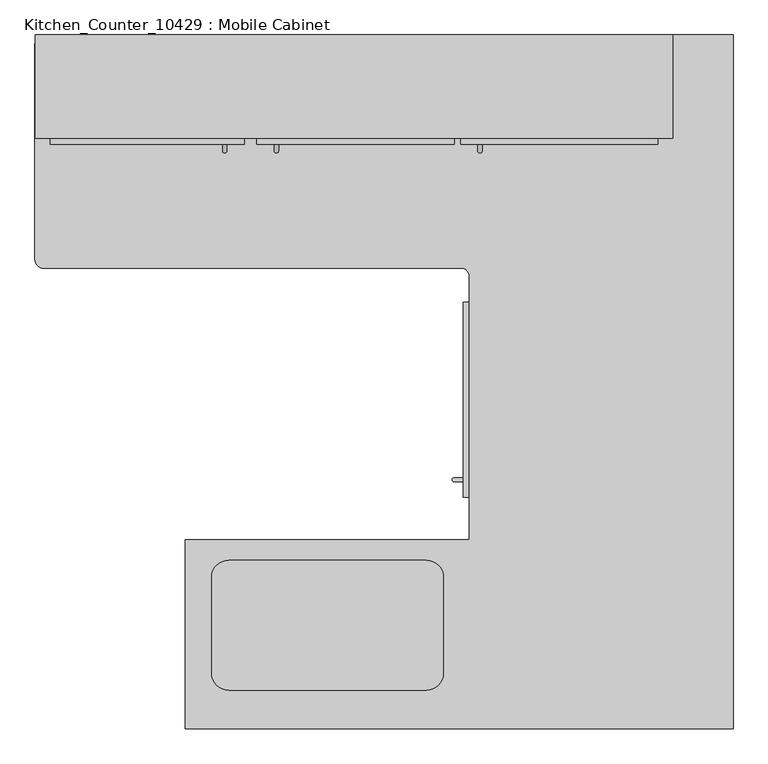
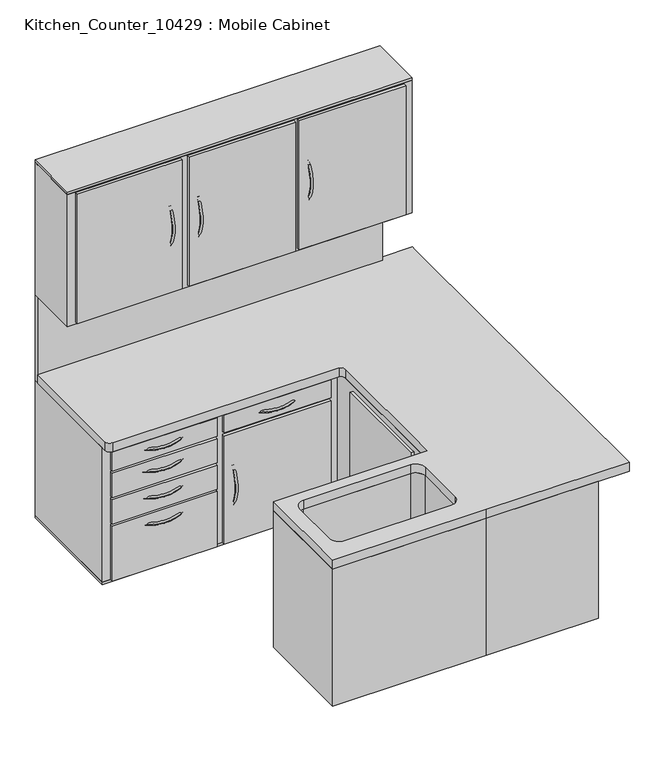
"""IFC4 building model written with IfcOpenShell, lengths in millimetres: furniture geometry, Kitchen_Counter_10429 : Mobile Cabinet."""

from ifc_helpers import new_model, si_unit, point, frame, frame_2d, origin, place, context, project, spatial, polyline, circle_curve, ellipse_curve, trimmed, segment, composite_curve, outline, extrude, faceted_brep, source, transform, mapped, element, save
from ifc_brep_helpers import plane_surface, revolved_surface, advanced_brep


def kitchen_counter_10429_mobile_cabinet_49b05717(model_context):
    return source(origin(), model_context, "Body", "SolidModel", [
        advanced_brep(
        [(2391.0977049, -711.2, 889.0), (1781.4977049, -711.2, 889.0), (1781.4977049, -1563.6875, 889.0), (943.2977049, -1563.6875, 889.0), (943.2977049, -2121.4715, 889.0), (1781.4977049, -2121.4715, 889.0), (2391.0977049, -2121.4715, 889.0), (1072.0877049, -1624.5715, 889.0), (1654.2877049, -1624.5715, 889.0), (1705.0877049, -1675.3715, 889.0), (1705.0877049, -1956.3715, 889.0), (1654.2877049, -2007.1715, 889.0), (1072.0877049, -2007.1715, 889.0), (1021.2877049, -1956.3715, 889.0), (1021.2877049, -1675.3715, 889.0), (2391.0977049, -711.2, 100.409375), (2391.0977049, -2121.4715, 100.409375), (1781.4977049, -2121.4715, 100.409375), (943.2977049, -2121.4715, 100.409375), (943.2977049, -1563.6875, 100.409375), (1781.4977049, -1563.6875, 100.409375), (1781.4977049, -711.2, 100.409375), (1654.2877049, -1624.5715, 609.6), (1072.0877049, -1624.5715, 609.6), (1021.2877049, -1675.3715, 609.6), (1021.2877049, -1956.3715, 609.6), (1072.0877049, -2007.1715, 609.6), (1654.2877049, -2007.1715, 609.6), (1705.0877049, -1956.3715, 609.6), (1705.0877049, -1675.3715, 609.6)],
        [
            (0, 1),
            (1, 2),
            (2, 3),
            (3, 4),
            (4, 5),
            (5, 6),
            (6, 0),
            (7, 8),
            (8, 9, circle_curve(frame((1654.2877049, -1675.3715, 889.0), z_axis=(0.0, 0.0, -1.0), x_axis=(1.0, 0.0, 0.0)), 50.8)),
            (9, 10),
            (10, 11, circle_curve(frame((1654.2877049, -1956.3715, 889.0), z_axis=(0.0, 0.0, -1.0), x_axis=(1.0, 0.0, 0.0)), 50.8)),
            (11, 12),
            (12, 13, circle_curve(frame((1072.0877049, -1956.3715, 889.0), z_axis=(0.0, 0.0, -1.0), x_axis=(1.0, 0.0, 0.0)), 50.8)),
            (13, 14),
            (14, 7, circle_curve(frame((1072.0877049, -1675.3715, 889.0), z_axis=(0.0, 0.0, -1.0), x_axis=(1.0, 0.0, 0.0)), 50.8)),
            (15, 16),
            (16, 17),
            (17, 18),
            (18, 19),
            (19, 20),
            (20, 21),
            (21, 15),
            (0, 15),
            (21, 1),
            (20, 2),
            (5, 17),
            (16, 6),
            (19, 3),
            (18, 4),
            (22, 23),
            (23, 24, circle_curve(frame((1072.0877049, -1675.3715, 609.6), z_axis=(0.0, 0.0, 1.0), x_axis=(1.0, 0.0, 0.0)), 50.8)),
            (24, 25),
            (25, 26, circle_curve(frame((1072.0877049, -1956.3715, 609.6), z_axis=(0.0, 0.0, 1.0), x_axis=(1.0, 0.0, 0.0)), 50.8)),
            (26, 27),
            (27, 28, circle_curve(frame((1654.2877049, -1956.3715, 609.6), z_axis=(0.0, 0.0, 1.0), x_axis=(1.0, 0.0, 0.0)), 50.8)),
            (28, 29),
            (29, 22, circle_curve(frame((1654.2877049, -1675.3715, 609.6), z_axis=(0.0, 0.0, 1.0), x_axis=(1.0, 0.0, 0.0)), 50.8)),
            (22, 8),
            (7, 23),
            (14, 24),
            (13, 25),
            (12, 26),
            (11, 27),
            (10, 28),
            (9, 29),
        ],
        [
            plane_surface(frame((2111.6977049, -711.2, 889.0), z_axis=(0.0, 0.0, 1.0), x_axis=(-1.0, 0.0, 0.0))),
            plane_surface(frame((2111.6977049, -711.2, 100.409375), z_axis=(0.0, 0.0, -1.0), x_axis=(1.0, 0.0, 0.0))),
            plane_surface(frame((2391.0977049, -711.2, 889.0), z_axis=(0.0, 1.0, 0.0), x_axis=(0.0, 0.0, -1.0))),
            plane_surface(frame((1781.4977049, -711.2, 889.0), z_axis=(-1.0, 0.0, 0.0), x_axis=(0.0, 0.0, -1.0))),
            plane_surface(frame((1781.4977049, -2121.4715, 889.0), z_axis=(0.0, -1.0, 0.0), x_axis=(0.0, 0.0, -1.0))),
            plane_surface(frame((2391.0977049, -2121.4715, 889.0), z_axis=(1.0, 0.0, 0.0), x_axis=(0.0, 0.0, -1.0))),
            plane_surface(frame((1781.4977049, -1563.6875, 889.0), z_axis=(0.0, 1.0, 0.0), x_axis=(0.0, 0.0, -1.0))),
            plane_surface(frame((943.2977049, -1563.6875, 889.0), z_axis=(-1.0, 0.0, 0.0), x_axis=(0.0, 0.0, -1.0))),
            plane_surface(frame((943.2977049, -2121.4715, 889.0), z_axis=(0.0, -1.0, 0.0), x_axis=(0.0, 0.0, -1.0))),
            plane_surface(frame((1072.0877049, -1624.5715, 609.6), z_axis=(0.0, 0.0, 1.0), x_axis=(1.0, 0.0, 0.0))),
            plane_surface(frame((1654.2877049, -1624.5715, 1066.8), z_axis=(0.0, -1.0, 0.0), x_axis=(0.0, 0.0, -1.0))),
            revolved_surface(polyline([(1122.8877049, -1675.3715, 889.0), (1122.8877049, -1675.3715, 609.6)]), (1072.0877049, -1675.3715, 609.6), (0.0, 0.0, 1.0)),
            plane_surface(frame((1021.2877049, -1675.3715, 1066.8), z_axis=(1.0, 0.0, 0.0), x_axis=(0.0, 0.0, -1.0))),
            revolved_surface(polyline([(1122.8877049, -1956.3715, 889.0), (1122.8877049, -1956.3715, 609.6)]), (1072.0877049, -1956.3715, 609.6), (0.0, 0.0, 1.0)),
            plane_surface(frame((1072.0877049, -2007.1715, 1066.8), z_axis=(0.0, 1.0, 0.0), x_axis=(0.0, 0.0, -1.0))),
            revolved_surface(polyline([(1705.0877049, -1956.3715, 889.0), (1705.0877049, -1956.3715, 609.6)]), (1654.2877049, -1956.3715, 609.6), (0.0, 0.0, 1.0)),
            plane_surface(frame((1705.0877049, -1956.3715, 1066.8), z_axis=(-1.0, 0.0, 0.0), x_axis=(0.0, 0.0, -1.0))),
            revolved_surface(polyline([(1705.0877049, -1675.3715, 889.0), (1705.0877049, -1675.3715, 609.6)]), (1654.2877049, -1675.3715, 609.6), (0.0, 0.0, 1.0)),
        ],
        [
            (0, [[1, 2, 3, 4, 5, 6, 7], [8, 9, 10, 11, 12, 13, 14, 15]]),
            (1, [[16, 17, 18, 19, 20, 21, 22]]),
            (2, [[-1, 23, -22, 24]]),
            (3, [[-2, -24, -21, 25]]),
            (4, [[-6, 26, -17, 27]]),
            (5, [[-7, -27, -16, -23]]),
            (6, [[-3, -25, -20, 28]]),
            (7, [[-4, -28, -19, 29]]),
            (8, [[-5, -29, -18, -26]]),
            (9, [[30, 31, 32, 33, 34, 35, 36, 37]]),
            (10, [[-30, 38, -8, 39]]),
            (11, [[-31, -39, -15, 40]]),
            (12, [[-32, -40, -14, 41]]),
            (13, [[-33, -41, -13, 42]]),
            (14, [[-34, -42, -12, 43]]),
            (15, [[-35, -43, -11, 44]]),
            (16, [[-36, -44, -10, 45]]),
            (17, [[-37, -45, -9, -38]]),
        ],
    ),
        advanced_brep(
        [(1773.7037199, -1393.2862247, 609.1921232), (1773.7037199, -1380.5862247, 609.1921232), (1773.7037199, -1393.2862247, 383.3637278), (1773.7037199, -1380.5862247, 383.3637278)],
        [
            (0, 1, circle_curve(frame((1773.7037199, -1386.9362247, 609.1921232), z_axis=(0.596522274931502, 0.0, 0.802596520993298), x_axis=(0.0, 1.0, 0.0)), 6.35)),
            (1, 0, circle_curve(frame((1773.7037199, -1386.9362247, 609.1921232), z_axis=(0.596522274931502, 0.0, 0.802596520993298), x_axis=(0.0, 1.0, 0.0)), 6.35)),
            (2, 3, circle_curve(frame((1773.7037199, -1386.9362247, 383.3637278), z_axis=(0.5965222749314973, 0.0, -0.8025965209933016), x_axis=(0.0, 1.0, 0.0)), 6.35)),
            (3, 2, circle_curve(frame((1773.7037199, -1386.9362247, 383.3637278), z_axis=(0.5965222749314973, 0.0, -0.8025965209933016), x_axis=(0.0, 1.0, 0.0)), 6.35)),
            (3, 1, circle_curve(frame((1925.6251921, -1380.5862247, 496.2779255), z_axis=(0.0, 1.0, 0.0), x_axis=(-0.802596520993294, 0.0, 0.5965222749315074)), 189.2874791)),
            (0, 2, circle_curve(frame((1925.6251921, -1393.2862247, 496.2779255), z_axis=(0.0, -1.0, 0.0), x_axis=(-0.802596520993294, 0.0, 0.5965222749315074)), 189.2874791)),
        ],
        [
            plane_surface(frame((1773.7037199, -2193.3862247, 609.1921232), z_axis=(0.5965222749315074, 0.0, 0.802596520993294), x_axis=(0.0, 1.0, 0.0))),
            plane_surface(frame((1773.7037199, -2193.3862247, 383.3637278), z_axis=(0.5965222749314919, 0.0, -0.8025965209933056), x_axis=(0.0, 1.0, 0.0))),
            revolved_surface(trimmed(ellipse_curve(frame((1773.7037199, -1386.9362247, 609.1921232), z_axis=(0.596522274931502, 0.0, 0.802596520993298), x_axis=(0.0, 1.0, 0.0)), 6.35, 6.35), [point((1773.7037199, -1393.2862247, 609.1921232))], [point((1773.7037199, -1380.5862247, 609.1921232))], True, "CARTESIAN"), (1925.6251921, -2193.3862247, 496.2779255), (0.0, -1.0, 0.0)),
            revolved_surface(trimmed(ellipse_curve(frame((1773.7037199, -1386.9362247, 609.1921232), z_axis=(0.596522274931502, 0.0, 0.802596520993298), x_axis=(0.0, 1.0, 0.0)), 6.35, 6.35), [point((1773.7037199, -1380.5862247, 609.1921232))], [point((1773.7037199, -1393.2862247, 609.1921232))], True, "CARTESIAN"), (1925.6251921, -2193.3862247, 496.2779255), (0.0, -1.0, 0.0)),
        ],
        [
            (0, [[1, 2]]),
            (1, [[3, 4]]),
            (2, [[5, -1, 6, -4]]),
            (3, [[-6, -2, -5, -3]]),
        ],
    ),
        extrude(outline(polyline([(1763.0430174, -1438.275), (1763.0430174, -863.6), (1781.4977049, -863.6), (1781.4977049, -1438.275), (1763.0430174, -1438.275)])), frame((0.0, 0.0, 114.3), z_axis=(0.0, 0.0, 1.0), x_axis=(1.0, 0.0, 0.0)), (0.0, 0.0, 1.0), 742.95),
        advanced_brep(
        [(1818.9627049, -381.0, 1885.7548227), (1806.2627049, -381.0, 1885.7548227), (1818.9627049, -381.0, 1659.9264273), (1806.2627049, -381.0, 1659.9264273)],
        [
            (0, 1, circle_curve(frame((1812.6127049, -381.0, 1885.7548227), z_axis=(0.0, 0.5965222749315012, 0.8025965209932986), x_axis=(-1.0, 0.0, 0.0)), 6.35)),
            (1, 0, circle_curve(frame((1812.6127049, -381.0, 1885.7548227), z_axis=(0.0, 0.5965222749315012, 0.8025965209932986), x_axis=(-1.0, 0.0, 0.0)), 6.35)),
            (2, 3, circle_curve(frame((1812.6127049, -381.0, 1659.9264273), z_axis=(0.0, 0.5965222749314963, -0.8025965209933023), x_axis=(-1.0, 0.0, 0.0)), 6.35)),
            (3, 2, circle_curve(frame((1812.6127049, -381.0, 1659.9264273), z_axis=(0.0, 0.5965222749314963, -0.8025965209933023), x_axis=(-1.0, 0.0, 0.0)), 6.35)),
            (3, 1, circle_curve(frame((1806.2627049, -229.0785278, 1772.840625), z_axis=(-1.0, 0.0, 0.0), x_axis=(0.0, -0.8025965209932986, 0.5965222749315012)), 189.2874791)),
            (0, 2, circle_curve(frame((1818.9627049, -229.0785278, 1772.840625), z_axis=(1.0, 0.0, 0.0), x_axis=(0.0, -0.8025965209932986, 0.5965222749315012)), 189.2874791)),
        ],
        [
            plane_surface(frame((2619.0627049, -381.0, 1885.7548227), z_axis=(0.0, 0.5965222749315012, 0.8025965209932986), x_axis=(-1.0, 0.0, 0.0))),
            plane_surface(frame((2619.0627049, -381.0, 1659.9264273), z_axis=(0.0, 0.5965222749314962, -0.8025965209933024), x_axis=(-1.0, 0.0, 0.0))),
            revolved_surface(trimmed(ellipse_curve(frame((1812.6127049, -381.0, 1885.7548227), z_axis=(0.0, 0.5965222749315012, 0.8025965209932986), x_axis=(-1.0, 0.0, 0.0)), 6.35, 6.35), [point((1818.9627049, -381.0, 1885.7548227))], [point((1806.2627049, -381.0, 1885.7548227))], True, "CARTESIAN"), (2619.0627049, -229.0785278, 1772.840625), (1.0, 0.0, 0.0)),
            revolved_surface(trimmed(ellipse_curve(frame((1812.6127049, -381.0, 1885.7548227), z_axis=(0.0, 0.5965222749315012, 0.8025965209932986), x_axis=(-1.0, 0.0, 0.0)), 6.35, 6.35), [point((1806.2627049, -381.0, 1885.7548227))], [point((1818.9627049, -381.0, 1885.7548227))], True, "CARTESIAN"), (2619.0627049, -229.0785278, 1772.840625), (1.0, 0.0, 0.0)),
        ],
        [
            (0, [[1, 2]]),
            (1, [[3, 4]]),
            (2, [[5, -1, 6, -4]]),
            (3, [[-6, -2, -5, -3]]),
        ],
    ),
        advanced_brep(
        [(1218.8877049, -381.0, 1885.7548227), (1206.1877049, -381.0, 1885.7548227), (1218.8877049, -381.0, 1659.9264273), (1206.1877049, -381.0, 1659.9264273)],
        [
            (0, 1, circle_curve(frame((1212.5377049, -381.0, 1885.7548227), z_axis=(0.0, 0.5965222749315012, 0.8025965209932986), x_axis=(-1.0, 0.0, 0.0)), 6.35)),
            (1, 0, circle_curve(frame((1212.5377049, -381.0, 1885.7548227), z_axis=(0.0, 0.5965222749315012, 0.8025965209932986), x_axis=(-1.0, 0.0, 0.0)), 6.35)),
            (2, 3, circle_curve(frame((1212.5377049, -381.0, 1659.9264273), z_axis=(0.0, 0.5965222749314963, -0.8025965209933023), x_axis=(-1.0, 0.0, 0.0)), 6.35)),
            (3, 2, circle_curve(frame((1212.5377049, -381.0, 1659.9264273), z_axis=(0.0, 0.5965222749314963, -0.8025965209933023), x_axis=(-1.0, 0.0, 0.0)), 6.35)),
            (3, 1, circle_curve(frame((1206.1877049, -229.0785278, 1772.840625), z_axis=(-1.0, 0.0, 0.0), x_axis=(0.0, -0.8025965209932986, 0.5965222749315012)), 189.2874791)),
            (0, 2, circle_curve(frame((1218.8877049, -229.0785278, 1772.840625), z_axis=(1.0, 0.0, 0.0), x_axis=(0.0, -0.8025965209932986, 0.5965222749315012)), 189.2874791)),
        ],
        [
            plane_surface(frame((2018.9877049, -381.0, 1885.7548227), z_axis=(0.0, 0.5965222749315012, 0.8025965209932986), x_axis=(-1.0, 0.0, 0.0))),
            plane_surface(frame((2018.9877049, -381.0, 1659.9264273), z_axis=(0.0, 0.5965222749314962, -0.8025965209933024), x_axis=(-1.0, 0.0, 0.0))),
            revolved_surface(trimmed(ellipse_curve(frame((1212.5377049, -381.0, 1885.7548227), z_axis=(0.0, 0.5965222749315012, 0.8025965209932986), x_axis=(-1.0, 0.0, 0.0)), 6.35, 6.35), [point((1218.8877049, -381.0, 1885.7548227))], [point((1206.1877049, -381.0, 1885.7548227))], True, "CARTESIAN"), (2018.9877049, -229.0785278, 1772.840625), (1.0, 0.0, 0.0)),
            revolved_surface(trimmed(ellipse_curve(frame((1212.5377049, -381.0, 1885.7548227), z_axis=(0.0, 0.5965222749315012, 0.8025965209932986), x_axis=(-1.0, 0.0, 0.0)), 6.35, 6.35), [point((1206.1877049, -381.0, 1885.7548227))], [point((1218.8877049, -381.0, 1885.7548227))], True, "CARTESIAN"), (2018.9877049, -229.0785278, 1772.840625), (1.0, 0.0, 0.0)),
        ],
        [
            (0, [[1, 2]]),
            (1, [[3, 4]]),
            (2, [[5, -1, 6, -4]]),
            (3, [[-6, -2, -5, -3]]),
        ],
    ),
        advanced_brep(
        [(1053.7877049, -381.0, 1885.7548227), (1066.4877049, -381.0, 1885.7548227), (1053.7877049, -381.0, 1659.9264273), (1066.4877049, -381.0, 1659.9264273)],
        [
            (0, 1, circle_curve(frame((1060.1377049, -381.0, 1885.7548227), z_axis=(0.0, 0.5965222749315012, 0.8025965209932986), x_axis=(1.0, 0.0, 0.0)), 6.35)),
            (1, 0, circle_curve(frame((1060.1377049, -381.0, 1885.7548227), z_axis=(0.0, 0.5965222749315012, 0.8025965209932986), x_axis=(1.0, 0.0, 0.0)), 6.35)),
            (2, 3, circle_curve(frame((1060.1377049, -381.0, 1659.9264273), z_axis=(0.0, 0.5965222749314963, -0.8025965209933023), x_axis=(1.0, 0.0, 0.0)), 6.35)),
            (3, 2, circle_curve(frame((1060.1377049, -381.0, 1659.9264273), z_axis=(0.0, 0.5965222749314963, -0.8025965209933023), x_axis=(1.0, 0.0, 0.0)), 6.35)),
            (3, 1, circle_curve(frame((1066.4877049, -229.0785278, 1772.840625), z_axis=(-1.0, 0.0, 0.0), x_axis=(0.0, -0.8025965209932986, 0.5965222749315012)), 189.2874791)),
            (0, 2, circle_curve(frame((1053.7877049, -229.0785278, 1772.840625), z_axis=(1.0, 0.0, 0.0), x_axis=(0.0, -0.8025965209932986, 0.5965222749315012)), 189.2874791)),
        ],
        [
            plane_surface(frame((253.6877049, -381.0, 1885.7548227), z_axis=(0.0, 0.5965222749315012, 0.8025965209932986), x_axis=(1.0, 0.0, 0.0))),
            plane_surface(frame((253.6877049, -381.0, 1659.9264273), z_axis=(0.0, 0.5965222749314962, -0.8025965209933024), x_axis=(1.0, 0.0, 0.0))),
            revolved_surface(trimmed(ellipse_curve(frame((1060.1377049, -381.0, 1885.7548227), z_axis=(0.0, 0.5965222749315012, 0.8025965209932986), x_axis=(1.0, 0.0, 0.0)), 6.35, 6.35), [point((1053.7877049, -381.0, 1885.7548227))], [point((1066.4877049, -381.0, 1885.7548227))], True, "CARTESIAN"), (253.6877049, -229.0785278, 1772.840625), (1.0, 0.0, 0.0)),
            revolved_surface(trimmed(ellipse_curve(frame((1060.1377049, -381.0, 1885.7548227), z_axis=(0.0, 0.5965222749315012, 0.8025965209932986), x_axis=(1.0, 0.0, 0.0)), 6.35, 6.35), [point((1066.4877049, -381.0, 1885.7548227))], [point((1053.7877049, -381.0, 1885.7548227))], True, "CARTESIAN"), (253.6877049, -229.0785278, 1772.840625), (1.0, 0.0, 0.0)),
        ],
        [
            (0, [[1, 2]]),
            (1, [[3, 4]]),
            (2, [[5, -1, 6, -4]]),
            (3, [[-6, -2, -5, -3]]),
        ],
    ),
        extrude(outline(polyline([(1736.4127049, -398.0676356), (1155.3877049, -398.0676356), (1155.3877049, -381.0), (1736.4127049, -381.0), (1736.4127049, -398.0676356)])), frame((0.0, 0.0, 1398.190625), z_axis=(0.0, 0.0, 1.0), x_axis=(1.0, 0.0, 0.0)), (0.0, 0.0, 1.0), 742.95),
        extrude(outline(polyline([(2336.4877049, -398.0676356), (1755.4627049, -398.0676356), (1755.4627049, -381.0), (2336.4877049, -381.0), (2336.4877049, -398.0676356)])), frame((0.0, 0.0, 1398.190625), z_axis=(0.0, 0.0, 1.0), x_axis=(1.0, 0.0, 0.0)), (0.0, 0.0, 1.0), 742.95),
        extrude(outline(polyline([(1117.2877049, -398.0676356), (545.7877049, -398.0676356), (545.7877049, -381.0), (1117.2877049, -381.0), (1117.2877049, -398.0676356)])), frame((0.0, 0.0, 1398.190625), z_axis=(0.0, 0.0, 1.0), x_axis=(1.0, 0.0, 0.0)), (0.0, 0.0, 1.0), 742.95),
        extrude(outline(polyline([(501.3377049, -76.2), (526.7377049, -76.2), (526.7377049, -355.6), (2355.5377049, -355.6), (2355.5377049, -76.2), (2380.9377049, -76.2), (2380.9377049, -381.0), (501.3377049, -381.0), (501.3377049, -76.2)])), frame((0.0, 0.0, 1384.3), z_axis=(0.0, 0.0, 1.0), x_axis=(1.0, 0.0, 0.0)), (0.0, 0.0, 1.0), 762.0),
        extrude(outline(composite_curve([segment(polyline([(2380.9377049, -101.6), (2380.9377049, -76.2), (2558.7377049, -76.2), (2558.7377049, -101.6), (2558.7377049, -762.0), (2558.7377049, -2121.4715), (1781.4977049, -2121.4715), (943.2977049, -2121.4715), (943.2977049, -1563.6875), (1781.5663928, -1563.6875), (1781.5663928, -788.4754922)]), True, "CONTINUOUS"), segment(trimmed(circle_curve(frame_2d((1756.1319359, -788.4754922)), 25.434457), [point((1781.5663928, -788.4754922))], [point((1761.3759273, -763.5875))], True, "CARTESIAN"), True, "CONTINUOUS"), segment(polyline([(1761.3759273, -763.5875), (527.0263413, -763.5875)]), True, "CONTINUOUS"), segment(trimmed(circle_curve(frame_2d((527.0263413, -737.3215909)), 26.2659091), [point((527.0263413, -763.5875))], [point((500.7604322, -737.3215909))], False, "CARTESIAN"), True, "CONTINUOUS"), segment(polyline([(500.7604322, -737.3215909), (500.7604322, -101.6), (2380.9377049, -101.6)]), True, "CONTINUOUS")], self_intersect=False), holes=[composite_curve([segment(polyline([(1072.0877049, -2007.1715), (1654.2877049, -2007.1715)]), True, "CONTINUOUS"), segment(trimmed(circle_curve(frame_2d((1654.2877049, -1956.3715)), 50.8), [point((1654.2877049, -2007.1715))], [point((1705.0877049, -1956.3715))], True, "CARTESIAN"), True, "CONTINUOUS"), segment(polyline([(1705.0877049, -1956.3715), (1705.0877049, -1675.3715)]), True, "CONTINUOUS"), segment(trimmed(circle_curve(frame_2d((1654.2877049, -1675.3715)), 50.8), [point((1705.0877049, -1675.3715))], [point((1654.2877049, -1624.5715))], True, "CARTESIAN"), True, "CONTINUOUS"), segment(polyline([(1654.2877049, -1624.5715), (1072.0877049, -1624.5715)]), True, "CONTINUOUS"), segment(trimmed(circle_curve(frame_2d((1072.0877049, -1675.3715)), 50.8), [point((1072.0877049, -1624.5715))], [point((1021.2877049, -1675.3715))], True, "CARTESIAN"), True, "CONTINUOUS"), segment(polyline([(1021.2877049, -1675.3715), (1021.2877049, -1956.3715)]), True, "CONTINUOUS"), segment(trimmed(circle_curve(frame_2d((1072.0877049, -1956.3715)), 50.8), [point((1021.2877049, -1956.3715))], [point((1072.0877049, -2007.1715))], True, "CARTESIAN"), True, "CONTINUOUS")], self_intersect=False)]), frame((0.0, 0.0, 889.0), z_axis=(0.0, 0.0, 1.0), x_axis=(1.0, 0.0, 0.0)), (0.0, 0.0, 1.0), 50.8),
        advanced_brep(
        [(1218.8877049, -711.2, 541.5391977), (1206.1877049, -711.2, 541.5391977), (1218.8877049, -711.2, 315.7108023), (1206.1877049, -711.2, 315.7108023)],
        [
            (0, 1, circle_curve(frame((1212.5377049, -711.2, 541.5391977), z_axis=(0.0, 0.5965222749315012, 0.8025965209932986), x_axis=(-1.0, 0.0, 0.0)), 6.35)),
            (1, 0, circle_curve(frame((1212.5377049, -711.2, 541.5391977), z_axis=(0.0, 0.5965222749315012, 0.8025965209932986), x_axis=(-1.0, 0.0, 0.0)), 6.35)),
            (2, 3, circle_curve(frame((1212.5377049, -711.2, 315.7108023), z_axis=(0.0, 0.5965222749314963, -0.8025965209933023), x_axis=(-1.0, 0.0, 0.0)), 6.35)),
            (3, 2, circle_curve(frame((1212.5377049, -711.2, 315.7108023), z_axis=(0.0, 0.5965222749314963, -0.8025965209933023), x_axis=(-1.0, 0.0, 0.0)), 6.35)),
            (3, 1, circle_curve(frame((1206.1877049, -559.2785278, 428.625), z_axis=(-1.0, 0.0, 0.0), x_axis=(0.0, -0.8025965209932986, 0.5965222749315012)), 189.2874791)),
            (0, 2, circle_curve(frame((1218.8877049, -559.2785278, 428.625), z_axis=(1.0, 0.0, 0.0), x_axis=(0.0, -0.8025965209932986, 0.5965222749315012)), 189.2874791)),
        ],
        [
            plane_surface(frame((2018.9877049, -711.2, 541.5391977), z_axis=(0.0, 0.5965222749315012, 0.8025965209932986), x_axis=(-1.0, 0.0, 0.0))),
            plane_surface(frame((2018.9877049, -711.2, 315.7108023), z_axis=(0.0, 0.5965222749314962, -0.8025965209933024), x_axis=(-1.0, 0.0, 0.0))),
            revolved_surface(trimmed(ellipse_curve(frame((1212.5377049, -711.2, 541.5391977), z_axis=(0.0, 0.5965222749315012, 0.8025965209932986), x_axis=(-1.0, 0.0, 0.0)), 6.35, 6.35), [point((1218.8877049, -711.2, 541.5391977))], [point((1206.1877049, -711.2, 541.5391977))], True, "CARTESIAN"), (2018.9877049, -559.2785278, 428.625), (1.0, 0.0, 0.0)),
            revolved_surface(trimmed(ellipse_curve(frame((1212.5377049, -711.2, 541.5391977), z_axis=(0.0, 0.5965222749315012, 0.8025965209932986), x_axis=(-1.0, 0.0, 0.0)), 6.35, 6.35), [point((1206.1877049, -711.2, 541.5391977))], [point((1218.8877049, -711.2, 541.5391977))], True, "CARTESIAN"), (2018.9877049, -559.2785278, 428.625), (1.0, 0.0, 0.0)),
        ],
        [
            (0, [[1, 2]]),
            (1, [[3, 4]]),
            (2, [[5, -1, 6, -4]]),
            (3, [[-6, -2, -5, -3]]),
        ],
    ),
        advanced_brep(
        [(711.6605908, -716.2964879, 374.65), (719.2364237, -706.1035121, 374.65), (945.064819, -716.2964879, 374.65), (937.4889861, -706.1035121, 374.65)],
        [
            (0, 1, circle_curve(frame((715.4485073, -711.2, 374.65), z_axis=(-0.8025965209932986, 0.5965222749315012, 0.0), x_axis=(0.5965222749315012, 0.8025965209932986, 0.0)), 6.35)),
            (1, 0, circle_curve(frame((715.4485073, -711.2, 374.65), z_axis=(-0.8025965209932986, 0.5965222749315012, 0.0), x_axis=(0.5965222749315012, 0.8025965209932986, 0.0)), 6.35)),
            (2, 3, circle_curve(frame((941.2769026, -711.2, 374.65), z_axis=(0.8025965209933023, 0.5965222749314963, 0.0), x_axis=(-0.5965222749314963, 0.8025965209933023, 0.0)), 6.35)),
            (3, 2, circle_curve(frame((941.2769026, -711.2, 374.65), z_axis=(0.8025965209933023, 0.5965222749314963, 0.0), x_axis=(-0.5965222749314963, 0.8025965209933023, 0.0)), 6.35)),
            (3, 1, circle_curve(frame((828.3627049, -559.2785278, 374.65), z_axis=(0.0, 0.0, -1.0), x_axis=(-0.5965222749315012, -0.8025965209932986, 0.0)), 182.9374791)),
            (0, 2, circle_curve(frame((828.3627049, -559.2785278, 374.65), z_axis=(0.0, 0.0, 1.0), x_axis=(-0.5965222749315012, -0.8025965209932986, 0.0)), 195.6374791)),
        ],
        [
            plane_surface(frame((715.4485073, -711.2, -431.8), z_axis=(-0.8025965209932986, 0.5965222749315012, 0.0), x_axis=(0.0, 0.0, 1.0))),
            plane_surface(frame((941.2769026, -711.2, -431.8), z_axis=(0.8025965209933024, 0.5965222749314962, 0.0), x_axis=(0.0, 0.0, 1.0))),
            revolved_surface(trimmed(ellipse_curve(frame((715.4485073, -711.2, 374.65), z_axis=(-0.8025965209932986, 0.5965222749315012, 0.0), x_axis=(0.5965222749315012, 0.8025965209932986, 0.0)), 6.35, 6.35), [point((711.6605908, -716.2964879, 374.65))], [point((719.2364237, -706.1035121, 374.65))], True, "CARTESIAN"), (828.3627049, -559.2785278, -431.8), (0.0, 0.0, 1.0)),
            revolved_surface(trimmed(ellipse_curve(frame((715.4485073, -711.2, 374.65), z_axis=(-0.8025965209932986, 0.5965222749315012, 0.0), x_axis=(0.5965222749315012, 0.8025965209932986, 0.0)), 6.35, 6.35), [point((719.2364237, -706.1035121, 374.65))], [point((711.6605908, -716.2964879, 374.65))], True, "CARTESIAN"), (828.3627049, -559.2785278, -431.8), (0.0, 0.0, 1.0)),
        ],
        [
            (0, [[1, 2]]),
            (1, [[3, 4]]),
            (2, [[5, -1, 6, -4]]),
            (3, [[-6, -2, -5, -3]]),
        ],
    ),
        advanced_brep(
        [(711.6605908, -716.2964879, 527.05), (719.2364237, -706.1035121, 527.05), (945.064819, -716.2964879, 527.05), (937.4889861, -706.1035121, 527.05)],
        [
            (0, 1, circle_curve(frame((715.4485073, -711.2, 527.05), z_axis=(-0.8025965209932986, 0.5965222749315012, 0.0), x_axis=(0.5965222749315012, 0.8025965209932986, 0.0)), 6.35)),
            (1, 0, circle_curve(frame((715.4485073, -711.2, 527.05), z_axis=(-0.8025965209932986, 0.5965222749315012, 0.0), x_axis=(0.5965222749315012, 0.8025965209932986, 0.0)), 6.35)),
            (2, 3, circle_curve(frame((941.2769026, -711.2, 527.05), z_axis=(0.8025965209933023, 0.5965222749314963, 0.0), x_axis=(-0.5965222749314963, 0.8025965209933023, 0.0)), 6.35)),
            (3, 2, circle_curve(frame((941.2769026, -711.2, 527.05), z_axis=(0.8025965209933023, 0.5965222749314963, 0.0), x_axis=(-0.5965222749314963, 0.8025965209933023, 0.0)), 6.35)),
            (3, 1, circle_curve(frame((828.3627049, -559.2785278, 527.05), z_axis=(0.0, 0.0, -1.0), x_axis=(-0.5965222749315012, -0.8025965209932986, 0.0)), 182.9374791)),
            (0, 2, circle_curve(frame((828.3627049, -559.2785278, 527.05), z_axis=(0.0, 0.0, 1.0), x_axis=(-0.5965222749315012, -0.8025965209932986, 0.0)), 195.6374791)),
        ],
        [
            plane_surface(frame((715.4485073, -711.2, -279.4), z_axis=(-0.8025965209932986, 0.5965222749315012, 0.0), x_axis=(0.0, 0.0, 1.0))),
            plane_surface(frame((941.2769026, -711.2, -279.4), z_axis=(0.8025965209933024, 0.5965222749314962, 0.0), x_axis=(0.0, 0.0, 1.0))),
            revolved_surface(trimmed(ellipse_curve(frame((715.4485073, -711.2, 527.05), z_axis=(-0.8025965209932986, 0.5965222749315012, 0.0), x_axis=(0.5965222749315012, 0.8025965209932986, 0.0)), 6.35, 6.35), [point((711.6605908, -716.2964879, 527.05))], [point((719.2364237, -706.1035121, 527.05))], True, "CARTESIAN"), (828.3627049, -559.2785278, -279.4), (0.0, 0.0, 1.0)),
            revolved_surface(trimmed(ellipse_curve(frame((715.4485073, -711.2, 527.05), z_axis=(-0.8025965209932986, 0.5965222749315012, 0.0), x_axis=(0.5965222749315012, 0.8025965209932986, 0.0)), 6.35, 6.35), [point((719.2364237, -706.1035121, 527.05))], [point((711.6605908, -716.2964879, 527.05))], True, "CARTESIAN"), (828.3627049, -559.2785278, -279.4), (0.0, 0.0, 1.0)),
        ],
        [
            (0, [[1, 2]]),
            (1, [[3, 4]]),
            (2, [[5, -1, 6, -4]]),
            (3, [[-6, -2, -5, -3]]),
        ],
    ),
        advanced_brep(
        [(711.6605908, -716.2964879, 679.45), (719.2364237, -706.1035121, 679.45), (945.064819, -716.2964879, 679.45), (937.4889861, -706.1035121, 679.45)],
        [
            (0, 1, circle_curve(frame((715.4485073, -711.2, 679.45), z_axis=(-0.8025965209932986, 0.5965222749315012, 0.0), x_axis=(0.5965222749315012, 0.8025965209932986, 0.0)), 6.35)),
            (1, 0, circle_curve(frame((715.4485073, -711.2, 679.45), z_axis=(-0.8025965209932986, 0.5965222749315012, 0.0), x_axis=(0.5965222749315012, 0.8025965209932986, 0.0)), 6.35)),
            (2, 3, circle_curve(frame((941.2769026, -711.2, 679.45), z_axis=(0.8025965209933023, 0.5965222749314963, 0.0), x_axis=(-0.5965222749314963, 0.8025965209933023, 0.0)), 6.35)),
            (3, 2, circle_curve(frame((941.2769026, -711.2, 679.45), z_axis=(0.8025965209933023, 0.5965222749314963, 0.0), x_axis=(-0.5965222749314963, 0.8025965209933023, 0.0)), 6.35)),
            (3, 1, circle_curve(frame((828.3627049, -559.2785278, 679.45), z_axis=(0.0, 0.0, -1.0), x_axis=(-0.5965222749315012, -0.8025965209932986, 0.0)), 182.9374791)),
            (0, 2, circle_curve(frame((828.3627049, -559.2785278, 679.45), z_axis=(0.0, 0.0, 1.0), x_axis=(-0.5965222749315012, -0.8025965209932986, 0.0)), 195.6374791)),
        ],
        [
            plane_surface(frame((715.4485073, -711.2, -127.0), z_axis=(-0.8025965209932986, 0.5965222749315012, 0.0), x_axis=(0.0, 0.0, 1.0))),
            plane_surface(frame((941.2769026, -711.2, -127.0), z_axis=(0.8025965209933024, 0.5965222749314962, 0.0), x_axis=(0.0, 0.0, 1.0))),
            revolved_surface(trimmed(ellipse_curve(frame((715.4485073, -711.2, 679.45), z_axis=(-0.8025965209932986, 0.5965222749315012, 0.0), x_axis=(0.5965222749315012, 0.8025965209932986, 0.0)), 6.35, 6.35), [point((711.6605908, -716.2964879, 679.45))], [point((719.2364237, -706.1035121, 679.45))], True, "CARTESIAN"), (828.3627049, -559.2785278, -127.0), (0.0, 0.0, 1.0)),
            revolved_surface(trimmed(ellipse_curve(frame((715.4485073, -711.2, 679.45), z_axis=(-0.8025965209932986, 0.5965222749315012, 0.0), x_axis=(0.5965222749315012, 0.8025965209932986, 0.0)), 6.35, 6.35), [point((719.2364237, -706.1035121, 679.45))], [point((711.6605908, -716.2964879, 679.45))], True, "CARTESIAN"), (828.3627049, -559.2785278, -127.0), (0.0, 0.0, 1.0)),
        ],
        [
            (0, [[1, 2]]),
            (1, [[3, 4]]),
            (2, [[5, -1, 6, -4]]),
            (3, [[-6, -2, -5, -3]]),
        ],
    ),
        advanced_brep(
        [(711.6605908, -716.2964879, 806.45), (719.2364237, -706.1035121, 806.45), (945.064819, -716.2964879, 806.45), (937.4889861, -706.1035121, 806.45)],
        [
            (0, 1, circle_curve(frame((715.4485073, -711.2, 806.45), z_axis=(-0.8025965209932986, 0.5965222749315012, 0.0), x_axis=(0.5965222749315012, 0.8025965209932986, 0.0)), 6.35)),
            (1, 0, circle_curve(frame((715.4485073, -711.2, 806.45), z_axis=(-0.8025965209932986, 0.5965222749315012, 0.0), x_axis=(0.5965222749315012, 0.8025965209932986, 0.0)), 6.35)),
            (2, 3, circle_curve(frame((941.2769026, -711.2, 806.45), z_axis=(0.8025965209933023, 0.5965222749314963, 0.0), x_axis=(-0.5965222749314963, 0.8025965209933023, 0.0)), 6.35)),
            (3, 2, circle_curve(frame((941.2769026, -711.2, 806.45), z_axis=(0.8025965209933023, 0.5965222749314963, 0.0), x_axis=(-0.5965222749314963, 0.8025965209933023, 0.0)), 6.35)),
            (3, 1, circle_curve(frame((828.3627049, -559.2785278, 806.45), z_axis=(0.0, 0.0, -1.0), x_axis=(-0.5965222749315012, -0.8025965209932986, 0.0)), 182.9374791)),
            (0, 2, circle_curve(frame((828.3627049, -559.2785278, 806.45), z_axis=(0.0, 0.0, 1.0), x_axis=(-0.5965222749315012, -0.8025965209932986, 0.0)), 195.6374791)),
        ],
        [
            plane_surface(frame((715.4485073, -711.2, 0.0), z_axis=(-0.8025965209932986, 0.5965222749315012, 0.0), x_axis=(0.0, 0.0, 1.0))),
            plane_surface(frame((941.2769026, -711.2, 0.0), z_axis=(0.8025965209933024, 0.5965222749314962, 0.0), x_axis=(0.0, 0.0, 1.0))),
            revolved_surface(trimmed(ellipse_curve(frame((715.4485073, -711.2, 806.45), z_axis=(-0.8025965209932986, 0.5965222749315012, 0.0), x_axis=(0.5965222749315012, 0.8025965209932986, 0.0)), 6.35, 6.35), [point((711.6605908, -716.2964879, 806.45))], [point((719.2364237, -706.1035121, 806.45))], True, "CARTESIAN"), (828.3627049, -559.2785278, 0.0), (0.0, 0.0, 1.0)),
            revolved_surface(trimmed(ellipse_curve(frame((715.4485073, -711.2, 806.45), z_axis=(-0.8025965209932986, 0.5965222749315012, 0.0), x_axis=(0.5965222749315012, 0.8025965209932986, 0.0)), 6.35, 6.35), [point((719.2364237, -706.1035121, 806.45))], [point((711.6605908, -716.2964879, 806.45))], True, "CARTESIAN"), (828.3627049, -559.2785278, 0.0), (0.0, 0.0, 1.0)),
        ],
        [
            (0, [[1, 2]]),
            (1, [[3, 4]]),
            (2, [[5, -1, 6, -4]]),
            (3, [[-6, -2, -5, -3]]),
        ],
    ),
        advanced_brep(
        [(1329.1980908, -716.2964879, 806.45), (1336.7739237, -706.1035121, 806.45), (1562.602319, -716.2964879, 806.45), (1555.0264861, -706.1035121, 806.45)],
        [
            (0, 1, circle_curve(frame((1332.9860072, -711.2, 806.45), z_axis=(-0.8025965209932986, 0.5965222749315012, 0.0), x_axis=(0.5965222749315012, 0.8025965209932986, 0.0)), 6.35)),
            (1, 0, circle_curve(frame((1332.9860072, -711.2, 806.45), z_axis=(-0.8025965209932986, 0.5965222749315012, 0.0), x_axis=(0.5965222749315012, 0.8025965209932986, 0.0)), 6.35)),
            (2, 3, circle_curve(frame((1558.8144026, -711.2, 806.45), z_axis=(0.8025965209933023, 0.5965222749314963, 0.0), x_axis=(-0.5965222749314963, 0.8025965209933023, 0.0)), 6.35)),
            (3, 2, circle_curve(frame((1558.8144026, -711.2, 806.45), z_axis=(0.8025965209933023, 0.5965222749314963, 0.0), x_axis=(-0.5965222749314963, 0.8025965209933023, 0.0)), 6.35)),
            (3, 1, circle_curve(frame((1445.9002049, -559.2785278, 806.45), z_axis=(0.0, 0.0, -1.0), x_axis=(-0.5965222749315012, -0.8025965209932986, 0.0)), 182.9374791)),
            (0, 2, circle_curve(frame((1445.9002049, -559.2785278, 806.45), z_axis=(0.0, 0.0, 1.0), x_axis=(-0.5965222749315012, -0.8025965209932986, 0.0)), 195.6374791)),
        ],
        [
            plane_surface(frame((1332.9860072, -711.2, 0.0), z_axis=(-0.8025965209932986, 0.5965222749315012, 0.0), x_axis=(0.0, 0.0, 1.0))),
            plane_surface(frame((1558.8144026, -711.2, 0.0), z_axis=(0.8025965209933024, 0.5965222749314962, 0.0), x_axis=(0.0, 0.0, 1.0))),
            revolved_surface(trimmed(ellipse_curve(frame((1332.9860072, -711.2, 806.45), z_axis=(-0.8025965209932986, 0.5965222749315012, 0.0), x_axis=(0.5965222749315012, 0.8025965209932986, 0.0)), 6.35, 6.35), [point((1329.1980908, -716.2964879, 806.45))], [point((1336.7739237, -706.1035121, 806.45))], True, "CARTESIAN"), (1445.9002049, -559.2785278, 0.0), (0.0, 0.0, 1.0)),
            revolved_surface(trimmed(ellipse_curve(frame((1332.9860072, -711.2, 806.45), z_axis=(-0.8025965209932986, 0.5965222749315012, 0.0), x_axis=(0.5965222749315012, 0.8025965209932986, 0.0)), 6.35, 6.35), [point((1336.7739237, -706.1035121, 806.45))], [point((1329.1980908, -716.2964879, 806.45))], True, "CARTESIAN"), (1445.9002049, -559.2785278, 0.0), (0.0, 0.0, 1.0)),
        ],
        [
            (0, [[1, 2]]),
            (1, [[3, 4]]),
            (2, [[5, -1, 6, -4]]),
            (3, [[-6, -2, -5, -3]]),
        ],
    ),
        extrude(outline(polyline([(1736.4127049, -729.6546875), (1155.3877049, -729.6546875), (1155.3877049, -711.2), (1736.4127049, -711.2), (1736.4127049, -729.6546875)])), frame((0.0, 0.0, 114.3), z_axis=(0.0, 0.0, 1.0), x_axis=(1.0, 0.0, 0.0)), (0.0, 0.0, 1.0), 622.3),
        extrude(outline(polyline([(1736.4127049, -729.6546875), (1155.3877049, -729.6546875), (1155.3877049, -711.2), (1736.4127049, -711.2), (1736.4127049, -729.6546875)])), frame((0.0, 0.0, 755.65), z_axis=(0.0, 0.0, 1.0), x_axis=(1.0, 0.0, 0.0)), (0.0, 0.0, 1.0), 101.6),
        extrude(outline(polyline([(1117.2877049, -729.6546875), (545.7877049, -729.6546875), (545.7877049, -711.2), (1117.2877049, -711.2), (1117.2877049, -729.6546875)])), frame((0.0, 0.0, 749.3), z_axis=(0.0, 0.0, 1.0), x_axis=(1.0, 0.0, 0.0)), (0.0, 0.0, 1.0), 107.95),
        extrude(outline(polyline([(1117.2877049, -729.6546875), (545.7877049, -729.6546875), (545.7877049, -711.2), (1117.2877049, -711.2), (1117.2877049, -729.6546875)])), frame((0.0, 0.0, 596.9), z_axis=(0.0, 0.0, 1.0), x_axis=(1.0, 0.0, 0.0)), (0.0, 0.0, 1.0), 139.7),
        extrude(outline(polyline([(1117.2877049, -729.6546875), (545.7877049, -729.6546875), (545.7877049, -711.2), (1117.2877049, -711.2), (1117.2877049, -729.6546875)])), frame((0.0, 0.0, 444.5), z_axis=(0.0, 0.0, 1.0), x_axis=(1.0, 0.0, 0.0)), (0.0, 0.0, 1.0), 139.7),
        extrude(outline(polyline([(1117.2877049, -729.6546875), (545.7877049, -729.6546875), (545.7877049, -711.2), (1117.2877049, -711.2), (1117.2877049, -729.6546875)])), frame((0.0, 0.0, 114.3), z_axis=(0.0, 0.0, 1.0), x_axis=(1.0, 0.0, 0.0)), (0.0, 0.0, 1.0), 317.5),
        faceted_brep([(2380.9377049, -76.2, 889.0), (2380.9377049, -76.2, 114.3), (2355.5377049, -76.2, 114.3), (2355.5377049, -76.2, 889.0), (2380.9377049, -711.2, 889.0), (2380.9377049, -711.2, 114.3), (501.3377049, -711.2, 114.3), (501.3377049, -76.2, 114.3), (526.7377049, -76.2, 114.3), (526.7377049, -685.8, 114.3), (2355.5377049, -685.8, 114.3), (2355.5377049, -685.8, 889.0), (526.7377049, -685.8, 889.0), (526.7377049, -76.2, 889.0), (501.3377049, -76.2, 889.0), (501.3377049, -711.2, 889.0), (1730.0627049, -711.2, 850.9), (1730.0627049, -711.2, 762.0), (1168.0877049, -711.2, 762.0), (1168.0877049, -711.2, 850.9), (552.1377049, -711.2, 850.9), (1110.9377049, -711.2, 850.9), (1110.9377049, -711.2, 755.65), (552.1377049, -711.2, 755.65), (1110.9377049, -711.2, 603.25), (552.1377049, -711.2, 603.25), (552.1377049, -711.2, 730.25), (1110.9377049, -711.2, 730.25), (552.1377049, -711.2, 450.85), (552.1377049, -711.2, 577.85), (1110.9377049, -711.2, 577.85), (1110.9377049, -711.2, 450.85), (1730.0627049, -711.2, 120.65), (1161.7377049, -711.2, 120.65), (1161.7377049, -711.2, 730.25), (1730.0627049, -711.2, 730.25), (1110.9377049, -711.2, 425.45), (1110.9377049, -711.2, 120.65), (552.1377049, -711.2, 120.65), (552.1377049, -711.2, 425.45), (1730.0627049, -685.8, 762.0), (1730.0627049, -685.8, 850.9), (1168.0877049, -685.8, 850.9), (1168.0877049, -685.8, 762.0), (1110.9377049, -685.8, 850.9), (552.1377049, -685.8, 850.9), (552.1377049, -685.8, 755.65), (1110.9377049, -685.8, 755.65), (552.1377049, -685.8, 603.25), (1110.9377049, -685.8, 603.25), (1110.9377049, -685.8, 730.25), (552.1377049, -685.8, 730.25), (552.1377049, -685.8, 577.85), (552.1377049, -685.8, 450.85), (1110.9377049, -685.8, 450.85), (1110.9377049, -685.8, 577.85), (1161.7377049, -685.8, 120.65), (1730.0627049, -685.8, 120.65), (1730.0627049, -685.8, 730.25), (1161.7377049, -685.8, 730.25), (1110.9377049, -685.8, 120.65), (1110.9377049, -685.8, 425.45), (552.1377049, -685.8, 425.45), (552.1377049, -685.8, 120.65)], [[[0, 1, 2, 3]], [[1, 0, 4, 5]], [[2, 1, 5, 6, 7, 8, 9, 10]], [[3, 2, 10, 11]], [[0, 3, 11, 12, 13, 14, 15, 4]], [[5, 4, 15, 6], [16, 17, 18, 19], [20, 21, 22, 23], [24, 25, 26, 27], [28, 29, 30, 31], [32, 33, 34, 35], [36, 37, 38, 39]], [[10, 9, 12, 11], [40, 41, 42, 43], [44, 45, 46, 47], [48, 49, 50, 51], [52, 53, 54, 55], [56, 57, 58, 59], [60, 61, 62, 63]], [[8, 7, 14, 13]], [[7, 6, 15, 14]], [[9, 8, 13, 12]], [[40, 17, 16, 41]], [[41, 16, 19, 42]], [[42, 19, 18, 43]], [[17, 40, 43, 18]], [[44, 21, 20, 45]], [[45, 20, 23, 46]], [[46, 23, 22, 47]], [[21, 44, 47, 22]], [[48, 25, 24, 49]], [[49, 24, 27, 50]], [[50, 27, 26, 51]], [[25, 48, 51, 26]], [[52, 29, 28, 53]], [[53, 28, 31, 54]], [[54, 31, 30, 55]], [[29, 52, 55, 30]], [[56, 33, 32, 57]], [[57, 32, 35, 58]], [[58, 35, 34, 59]], [[33, 56, 59, 34]], [[60, 37, 36, 61]], [[61, 36, 39, 62]], [[62, 39, 38, 63]], [[37, 60, 63, 38]]]),
        extrude(outline(polyline([(2380.9377049, -76.2), (2380.9377049, -381.0), (501.3377049, -381.0), (501.3377049, -76.2), (2380.9377049, -76.2)])), frame((0.0, 0.0, 2146.3), z_axis=(0.0, 0.0, 1.0), x_axis=(1.0, 0.0, 0.0)), (0.0, 0.0, 1.0), 13.890625),
        extrude(outline(polyline([(2380.9377049, -76.2), (2380.9377049, -711.2), (501.3377049, -711.2), (501.3377049, -76.2), (2380.9377049, -76.2)])), frame((0.0, 0.0, 100.409375), z_axis=(0.0, 0.0, 1.0), x_axis=(1.0, 0.0, 0.0)), (0.0, 0.0, 1.0), 13.890625),
        extrude(outline(polyline([(2380.9377049, -101.6), (501.3377049, -101.6), (501.3377049, -76.2), (2380.9377049, -76.2), (2380.9377049, -101.6)])), frame((0.0, 0.0, 100.409375), z_axis=(0.0, 0.0, 1.0), x_axis=(1.0, 0.0, 0.0)), (0.0, 0.0, 1.0), 2045.890625),
    ])


if __name__ == "__main__":
    model = new_model("IFC4")
    model_context = context("Model", 3, world=origin())
    ifc_project = project(units=[si_unit("LENGTHUNIT", "METRE", prefix="MILLI")], contexts=[model_context])
    site = spatial("IfcSite", under=ifc_project)
    building = spatial("IfcBuilding", under=site)
    placement = place(None, origin())
    kitchen_counter_10429_mobile_cabinet_shape = kitchen_counter_10429_mobile_cabinet_49b05717(model_context)
    element("IfcFurniture", 1, ObjectType="Kitchen_Counter_10429 : Mobile Cabinet", at=placement, inside=building, context=model_context, shape_type="MappedRepresentation", body=[
        mapped(kitchen_counter_10429_mobile_cabinet_shape, transform((0.0, 0.0, 0.0), x_axis=(1.0, 0.0, 0.0), y_axis=(0.0, 1.0, 0.0), z_axis=(0.0, 0.0, 1.0))),
    ])
    save(model, "model.ifc")
